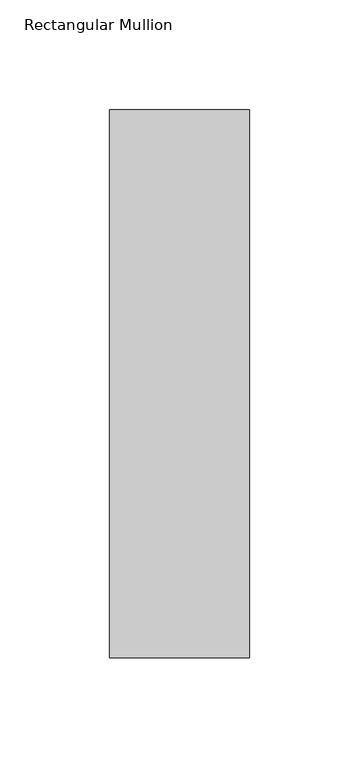
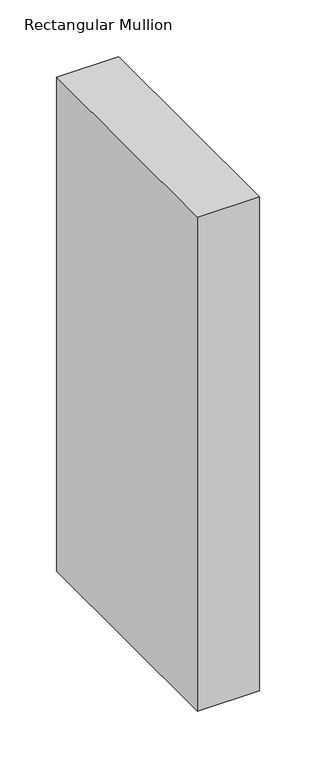
"""IFC4 building model written with IfcOpenShell, lengths in millimetres: member geometry, Rectangular Mullion."""

from ifc_helpers import new_model, si_unit, frame, origin, place, context, project, spatial, polyline, outline, extrude, source, transform, mapped, element, save


def rectangular_mullion_1277d91c(model_context):
    return source(origin(), model_context, "Body", "SweptSolid", [
        extrude(outline(polyline([(-63.5, 46.7447302), (-63.5, 295.9695312), (0.0, 295.9695312), (0.0, 46.7447302), (-63.5, 46.7447302)])), frame((0.0, 0.0, -533.36825), z_axis=(0.0, 0.0, 1.0), x_axis=(1.0, 0.0, 0.0)), (0.0, 0.0, 1.0), 533.36825),
    ])


if __name__ == "__main__":
    model = new_model("IFC4")
    model_context = context("Model", 3, world=origin())
    ifc_project = project(units=[si_unit("LENGTHUNIT", "METRE", prefix="MILLI")], contexts=[model_context])
    site = spatial("IfcSite", under=ifc_project)
    building = spatial("IfcBuilding", under=site)
    placement = place(None, origin())
    rectangular_mullion_shape = rectangular_mullion_1277d91c(model_context)
    element("IfcMember", 1, ObjectType="Rectangular Mullion", at=placement, inside=building, context=model_context, shape_type="MappedRepresentation", body=[
        mapped(rectangular_mullion_shape, transform((0.0, 0.0, 0.0), x_axis=(1.0, 0.0, 0.0), y_axis=(0.0, 1.0, 0.0), z_axis=(0.0, 0.0, 1.0))),
    ])
    save(model, "model.ifc")
